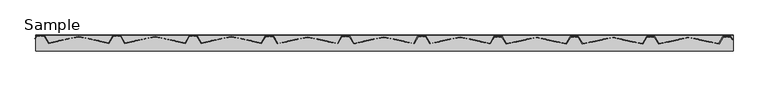
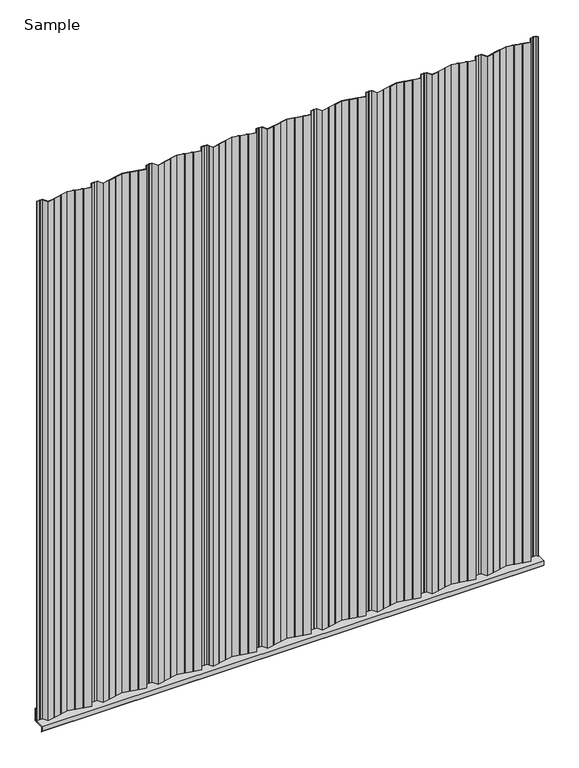
"""IFC4 building model written with IfcOpenShell, lengths in millimetres: proxy geometry, Sample."""

import ifcopenshell
import ifcopenshell.guid

model = None  # the IFC model being written
_history = None  # IfcOwnerHistory: only IFC2X3 demands one
_inside = {}  # id of a spatial element -> (the spatial element, [elements in it])
_under = {}  # id of a project, library or spatial element -> (it, [spatial elements below it])
_declared = {}  # id of a project -> (the project, [libraries it declares])
_typed = {}  # id of a type object -> (the type object, [elements of that type])
_made_of = {}  # id of a material, layer set ... -> (it, [elements and type objects made of it])


def new_model(schema):
    """Start an empty IFC model of exactly this schema.

    Asked for "IFC4X3", IfcOpenShell would pick the latest addendum, in which some entities
    have other attributes; the version numbers below select the first issue.
    IFC2X3 requires an IfcOwnerHistory on every rooted entity: one is made here for all.
    """
    global model, _history
    if schema == "IFC4X3":
        model = ifcopenshell.file(schema_version=(4, 3, 0, 0))
    else:
        model = ifcopenshell.file(schema=schema)
    _inside.clear()
    _under.clear()
    _declared.clear()
    _typed.clear()
    _made_of.clear()
    _history = None
    if model.schema == "IFC2X3":
        org = make("IfcOrganization", Name="unknown")
        user = make(
            "IfcPersonAndOrganization",
            ThePerson=make("IfcPerson", FamilyName="unknown"),
            TheOrganization=org,
        )
        app = make(
            "IfcApplication",
            ApplicationDeveloper=org,
            Version="unknown",
            ApplicationFullName="unknown",
            ApplicationIdentifier="unknown",
        )
        _history = make(
            "IfcOwnerHistory",
            OwningUser=user,
            OwningApplication=app,
            ChangeAction="ADDED",
            CreationDate=0,
        )
    return model


def make(cls, **values):
    """One entity of the class cls with the attributes given. An attribute that is None is left unset."""
    return model.create_entity(
        cls, **{name: value for name, value in values.items() if value is not None}
    )


def rooted(cls, **values):
    """An entity with a GlobalId (a new one), such as an element, a storey or a relation."""
    return make(cls, GlobalId=ifcopenshell.guid.new(), OwnerHistory=_history, **values)


def si_unit(unit_type, name, prefix=None):
    """IfcSIUnit, for example si_unit("LENGTHUNIT", "METRE", prefix="MILLI")."""
    return make("IfcSIUnit", UnitType=unit_type, Prefix=prefix, Name=name)


def assignment(units):
    """IfcUnitAssignment: the units of a project."""
    return None if units is None else make("IfcUnitAssignment", Units=units)


def point(xyz):
    """IfcCartesianPoint."""
    return None if xyz is None else make("IfcCartesianPoint", Coordinates=xyz)


def direction(xyz):
    """IfcDirection."""
    return None if xyz is None else make("IfcDirection", DirectionRatios=xyz)


def frame(location, z_axis=None, x_axis=None):
    """IfcAxis2Placement3D, a coordinate frame: its origin and axes. An axis left out is left unset."""
    return make(
        "IfcAxis2Placement3D",
        Location=point(location),
        Axis=direction(z_axis),
        RefDirection=direction(x_axis),
    )


def origin():
    """The frame at (0, 0, 0) with its axes left unset."""
    return frame((0.0, 0.0, 0.0))


def origin_with_axes():
    """The frame at (0, 0, 0) with the z axis (0, 0, 1) and the x axis (1, 0, 0) written out."""
    return frame((0.0, 0.0, 0.0), z_axis=(0.0, 0.0, 1.0), x_axis=(1.0, 0.0, 0.0))


def place(relative_to, where):
    """IfcLocalPlacement: puts the frame where relative to a parent placement (None: the world)."""
    return make(
        "IfcLocalPlacement", PlacementRelTo=relative_to, RelativePlacement=where
    )


def context(
    kind, dimensions, precision=None, world=None, true_north=None, identifier=None
):
    """IfcGeometricRepresentationContext, for example the 3D "Model" context."""
    return make(
        "IfcGeometricRepresentationContext",
        ContextIdentifier=identifier,
        ContextType=kind,
        CoordinateSpaceDimension=dimensions,
        Precision=precision,
        WorldCoordinateSystem=world,
        TrueNorth=true_north,
    )


def project(units=None, contexts=None):
    """IfcProject with its units and contexts."""
    return rooted(
        "IfcProject",
        Name="project",
        RepresentationContexts=contexts,
        UnitsInContext=assignment(units),
    )


def spatial(cls, under=None, at=None, **own):
    """A site, building, storey or space (cls), placed at a placement, below another one or the project."""
    s = rooted(cls, ObjectPlacement=at, **own)
    if under is not None:
        _under.setdefault(under.id(), (under, []))[1].append(s)
    return s


def polyline(points):
    """IfcPolyline through the points."""
    return make("IfcPolyline", Points=[point(p) for p in points])


def outline(outer, holes=None, kind="AREA"):
    """IfcArbitraryClosedProfileDef: a profile drawn as a closed curve; with holes, ...WithVoids."""
    if holes is None:
        return make("IfcArbitraryClosedProfileDef", ProfileType=kind, OuterCurve=outer)
    return make(
        "IfcArbitraryProfileDefWithVoids",
        ProfileType=kind,
        OuterCurve=outer,
        InnerCurves=holes,
    )


def extrude(swept, where, along, depth):
    """IfcExtrudedAreaSolid: the profile swept, set in the frame where, extruded along a direction by depth."""
    return make(
        "IfcExtrudedAreaSolid",
        SweptArea=swept,
        Position=where,
        ExtrudedDirection=direction(along),
        Depth=depth,
    )


def shape(context_of_items, identifier, shape_type, items):
    """IfcShapeRepresentation: the items that make up one representation, for example the "Body"."""
    return make(
        "IfcShapeRepresentation",
        ContextOfItems=context_of_items,
        RepresentationIdentifier=identifier,
        RepresentationType=shape_type,
        Items=items,
    )


def source(mapping_origin, context_of_items, identifier, shape_type, items):
    """IfcRepresentationMap: a shape defined once, which mapped items show again and again."""
    return make(
        "IfcRepresentationMap",
        MappingOrigin=mapping_origin,
        MappedRepresentation=shape(context_of_items, identifier, shape_type, items),
    )


def transform(
    local_origin,
    x_axis=None,
    y_axis=None,
    z_axis=None,
    scale=None,
    scale2=None,
    scale3=None,
    uniform=True,
):
    """IfcCartesianTransformationOperator3D, or its non-uniform kind. x_axis, y_axis, z_axis: its Axis1, 2, 3."""
    if uniform:
        return make(
            "IfcCartesianTransformationOperator3D",
            Axis1=direction(x_axis),
            Axis2=direction(y_axis),
            LocalOrigin=point(local_origin),
            Scale=scale,
            Axis3=direction(z_axis),
        )
    return make(
        "IfcCartesianTransformationOperator3DnonUniform",
        Axis1=direction(x_axis),
        Axis2=direction(y_axis),
        LocalOrigin=point(local_origin),
        Scale=scale,
        Axis3=direction(z_axis),
        Scale2=scale2,
        Scale3=scale3,
    )


def mapped(mapping_source, mapping_target):
    """IfcMappedItem: shows the shape of a source again, moved by a transform."""
    return make(
        "IfcMappedItem", MappingSource=mapping_source, MappingTarget=mapping_target
    )


def made_of(thing, what):
    """Note that an element or type object is made of a material, layer set ...; save() writes the relation."""
    if what is not None:
        _made_of.setdefault(what.id(), (what, []))[1].append(thing)
    return thing


def element(
    cls,
    number,
    at=None,
    inside=None,
    cuts=None,
    type_object=None,
    material=None,
    context=None,
    identifier="Body",
    shape_type=None,
    held_by="IfcProductDefinitionShape",
    body=None,
    shapes=None,
    **own,
):
    """One element of the class cls, such as IfcWall. Its Tag is "e" and its number.

    at: its placement. inside: the storey or other place that contains it. cuts: it is an
    opening in that element (IfcRelVoidsElement). A single representation is given by context,
    identifier, shape_type and body (its items); several are given by shapes. held_by: the class
    of the entity that holds the representations. save() writes the other relations.
    """
    e = rooted(cls, Tag="e%d" % number, ObjectPlacement=at, **own)
    if body is not None:
        shapes = [shape(context, identifier, shape_type, body)]
    if shapes is not None:
        e.Representation = make(held_by, Representations=shapes)
    if inside is not None:
        _inside.setdefault(inside.id(), (inside, []))[1].append(e)
    if cuts is not None:
        rooted(
            "IfcRelVoidsElement", RelatingBuildingElement=cuts, RelatedOpeningElement=e
        )
    if type_object is not None:
        _typed.setdefault(type_object.id(), (type_object, []))[1].append(e)
    return made_of(e, material)


def aggregate(whole, parts):
    """IfcRelAggregates: a whole, such as a stair, and the parts it consists of."""
    return rooted("IfcRelAggregates", RelatingObject=whole, RelatedObjects=parts)


def save(model, path):
    """Write the relations noted so far, then the file.

    IfcRelAggregates (storeys below a building ...), IfcRelContainedInSpatialStructure (elements
    in a storey), IfcRelDefinesByType, IfcRelAssociatesMaterial and IfcRelDeclares: one each for
    every whole, place, type object, material and project.
    """
    for whole, parts in _under.values():
        aggregate(whole, parts)
    for where, things in _inside.values():
        rooted(
            "IfcRelContainedInSpatialStructure",
            RelatedElements=things,
            RelatingStructure=where,
        )
    for kind, things in _typed.values():
        rooted("IfcRelDefinesByType", RelatedObjects=things, RelatingType=kind)
    for what, things in _made_of.values():
        rooted("IfcRelAssociatesMaterial", RelatedObjects=things, RelatingMaterial=what)
    for by, libraries in _declared.values():
        rooted("IfcRelDeclares", RelatingContext=by, RelatedDefinitions=libraries)
    model.write(path)


def sample_4225adc6(model_context):
    return source(origin(), model_context, "Body", "SweptSolid", [
        extrude(outline(polyline([(113001.1879304, -72521.0864185), (112988.4879304, -72521.0864185), (112972.0726976, -72549.5184358), (112934.6727019, -72542.248613), (112930.2887975, -72540.387756), (112892.8888019, -72533.1179333), (112888.5048975, -72531.2570763), (112851.3279304, -72524.030606), (112814.1509634, -72531.2570763), (112809.767059, -72533.1179333), (112772.3670633, -72540.387756), (112767.983159, -72542.248613), (112730.5831633, -72549.5184358), (112714.1679304, -72521.0864185), (112701.4679304, -72521.0864185), (112698.9279304, -72519.3078913), (112696.3879304, -72521.0864185), (112683.6879304, -72521.0864185), (112667.2726976, -72549.5184358), (112629.8727019, -72542.248613), (112625.4887976, -72540.387756), (112588.0888019, -72533.1179333), (112583.7048975, -72531.2570763), (112546.5279304, -72524.030606), (112509.3509634, -72531.2570763), (112504.967059, -72533.1179333), (112467.5670633, -72540.387756), (112463.183159, -72542.248613), (112425.7831633, -72549.5184358), (112409.3679304, -72521.0864185), (112396.6679304, -72521.0864185), (112394.1279304, -72519.3078913), (112391.5879304, -72521.0864185), (112378.8879304, -72521.0864185), (112372.5379304, -72532.0849411), (112371.3757998, -72530.9228105), (112377.9713869, -72519.4989185), (112391.0873936, -72519.4989185), (112394.1279304, -72517.3699117), (112397.1684673, -72519.4989185), (112410.284474, -72519.4989185), (112426.5917415, -72547.7439343), (112462.7169708, -72540.7219011), (112467.1008751, -72538.8610441), (112504.5008708, -72531.5912214), (112508.8847752, -72529.7303644), (112546.5279304, -72522.4132762), (112584.1710857, -72529.7303644), (112588.5549901, -72531.5912214), (112625.9549858, -72538.8610441), (112630.3388901, -72540.7219011), (112666.4641194, -72547.7439343), (112682.7713869, -72519.4989185), (112695.8873936, -72519.4989185), (112698.9279304, -72517.3699117), (112701.9684673, -72519.4989185), (112715.084474, -72519.4989185), (112731.3917415, -72547.7439343), (112767.5169708, -72540.7219011), (112771.9008751, -72538.8610441), (112809.3008708, -72531.5912214), (112813.6847752, -72529.7303644), (112851.3279304, -72522.4132762), (112888.9710857, -72529.7303644), (112893.3549901, -72531.5912214), (112930.7549858, -72538.8610441), (112935.1388901, -72540.7219011), (112971.2641194, -72547.7439343), (112987.5713869, -72519.4989185), (113000.6873936, -72519.4989185), (113003.7279304, -72517.3699117), (113006.7684673, -72519.4989185), (113019.884474, -72519.4989185), (113036.1917415, -72547.7439343), (113072.3169708, -72540.7219011), (113076.7008751, -72538.8610441), (113114.1008708, -72531.5912214), (113118.4847752, -72529.7303644), (113156.1279304, -72522.4132762), (113193.7710857, -72529.7303644), (113198.1549901, -72531.5912214), (113235.5549858, -72538.8610441), (113239.9388901, -72540.7219011), (113276.0641194, -72547.7439343), (113292.3713869, -72519.4989185), (113305.4873936, -72519.4989185), (113308.5279304, -72517.3699117), (113311.5684673, -72519.4989185), (113324.684474, -72519.4989185), (113331.2800611, -72530.9228105), (113330.1179304, -72532.0849411), (113323.7679304, -72521.0864185), (113311.0679304, -72521.0864185), (113308.5279304, -72519.3078913), (113305.9879304, -72521.0864185), (113293.2879304, -72521.0864185), (113276.8726976, -72549.5184358), (113239.4727019, -72542.248613), (113235.0887975, -72540.387756), (113197.6888019, -72533.1179333), (113193.3048975, -72531.2570763), (113156.1279304, -72524.030606), (113118.9509634, -72531.2570763), (113114.567059, -72533.1179333), (113077.1670633, -72540.387756), (113072.783159, -72542.248613), (113035.3831633, -72549.5184358), (113018.9679304, -72521.0864185), (113006.2679304, -72521.0864185), (113003.7279304, -72519.3078913), (113001.1879304, -72521.0864185)])), origin_with_axes(), (0.0, 0.0, 1.0), 3048.0),
        extrude(outline(polyline([(112087.0827244, -72519.6756587), (112074.3827244, -72519.6756587), (112057.9674916, -72548.107676), (112020.5674959, -72540.8378532), (112016.1835915, -72538.9769962), (111978.7835959, -72531.7071735), (111974.3996915, -72529.8463165), (111937.2227244, -72522.6198462), (111900.0457574, -72529.8463165), (111895.661853, -72531.7071735), (111858.2618573, -72538.9769962), (111853.877953, -72540.8378532), (111816.4779573, -72548.107676), (111800.0627244, -72519.6756587), (111787.3627244, -72519.6756587), (111784.8227244, -72517.8971315), (111782.2827244, -72519.6756587), (111769.5827244, -72519.6756587), (111753.1674916, -72548.107676), (111715.7674959, -72540.8378532), (111711.3835915, -72538.9769962), (111673.9835959, -72531.7071735), (111669.5996915, -72529.8463165), (111632.4227244, -72522.6198462), (111595.2457574, -72529.8463165), (111590.861853, -72531.7071735), (111553.4618573, -72538.9769962), (111549.077953, -72540.8378532), (111511.6779573, -72548.107676), (111495.2627244, -72519.6756587), (111482.5627244, -72519.6756587), (111480.0227244, -72517.8971315), (111477.4827244, -72519.6756587), (111464.7827244, -72519.6756587), (111458.4327244, -72530.6741813), (111457.2705938, -72529.5120506), (111463.8661809, -72518.0881587), (111476.9821876, -72518.0881587), (111480.0227244, -72515.9591519), (111483.0632613, -72518.0881587), (111496.179268, -72518.0881587), (111512.4865355, -72546.3331745), (111548.6117648, -72539.3111413), (111552.9956691, -72537.4502843), (111590.3956648, -72530.1804616), (111594.7795692, -72528.3196046), (111632.4227244, -72521.0025164), (111670.0658797, -72528.3196046), (111674.4497841, -72530.1804616), (111711.8497797, -72537.4502843), (111716.2336841, -72539.3111413), (111752.3589134, -72546.3331745), (111768.6661809, -72518.0881587), (111781.7821876, -72518.0881587), (111784.8227244, -72515.9591519), (111787.8632613, -72518.0881587), (111800.979268, -72518.0881587), (111817.2865355, -72546.3331745), (111853.4117648, -72539.3111413), (111857.7956691, -72537.4502843), (111895.1956648, -72530.1804616), (111899.5795692, -72528.3196046), (111937.2227244, -72521.0025164), (111974.8658797, -72528.3196046), (111979.2497841, -72530.1804616), (112016.6497797, -72537.4502843), (112021.0336841, -72539.3111413), (112057.1589134, -72546.3331745), (112073.4661809, -72518.0881587), (112086.5821876, -72518.0881587), (112089.6227244, -72515.9591519), (112092.6632613, -72518.0881587), (112105.779268, -72518.0881587), (112122.0865355, -72546.3331745), (112158.2117648, -72539.3111413), (112162.5956691, -72537.4502843), (112199.9956648, -72530.1804616), (112204.3795692, -72528.3196046), (112242.0227244, -72521.0025164), (112279.6658797, -72528.3196046), (112284.0497841, -72530.1804616), (112321.4497797, -72537.4502843), (112325.8336841, -72539.3111413), (112361.9589134, -72546.3331745), (112378.2661809, -72518.0881587), (112391.3821876, -72518.0881587), (112394.4227244, -72515.9591519), (112397.4632613, -72518.0881587), (112410.579268, -72518.0881587), (112417.1748551, -72529.5120506), (112416.0127244, -72530.6741813), (112409.6627244, -72519.6756587), (112396.9627244, -72519.6756587), (112394.4227244, -72517.8971315), (112391.8827244, -72519.6756587), (112379.1827244, -72519.6756587), (112362.7674916, -72548.107676), (112325.3674959, -72540.8378532), (112320.9835915, -72538.9769962), (112283.5835959, -72531.7071735), (112279.1996915, -72529.8463165), (112242.0227244, -72522.6198462), (112204.8457574, -72529.8463165), (112200.461853, -72531.7071735), (112163.0618573, -72538.9769962), (112158.677953, -72540.8378532), (112121.2779573, -72548.107676), (112104.8627244, -72519.6756587), (112092.1627244, -72519.6756587), (112089.6227244, -72517.8971315), (112087.0827244, -72519.6756587)])), origin_with_axes(), (0.0, 0.0, 1.0), 3048.0),
        extrude(outline(polyline([(-72513.5426082, 69.85), (-72511.9551082, 69.85), (-72511.9551082, -1.5875), (-72575.4551082, -1.5875), (-72575.4551082, -24.742436), (-72566.3950762, -33.802468), (-72567.5176082, -34.925), (-72577.0426082, -25.4), (-72577.0426082, 0.0), (-72513.5426082, 0.0), (-72513.5426082, 69.85)])), frame((110545.5159478, 0.0, 0.0), z_axis=(1.0, 0.0, 0.0), x_axis=(0.0, 1.0, 0.0)), (0.0, 0.0, 1.0), 2787.65),
        extrude(outline(polyline([(111172.6827244, -72518.0881587), (111159.9827244, -72518.0881587), (111143.5674916, -72546.520176), (111106.1674959, -72539.2503532), (111101.7835915, -72537.3894962), (111064.3835959, -72530.1196735), (111059.9996915, -72528.2588165), (111022.8227244, -72521.0323462), (110985.6457574, -72528.2588165), (110981.261853, -72530.1196735), (110943.8618573, -72537.3894962), (110939.477953, -72539.2503532), (110902.0779573, -72546.520176), (110885.6627244, -72518.0881587), (110872.9627244, -72518.0881587), (110870.4227244, -72516.3096315), (110867.8827244, -72518.0881587), (110855.1827244, -72518.0881587), (110838.7674916, -72546.520176), (110801.3674959, -72539.2503532), (110796.9835915, -72537.3894962), (110759.5835959, -72530.1196735), (110755.1996915, -72528.2588165), (110718.0227244, -72521.0323462), (110680.8457574, -72528.2588165), (110676.461853, -72530.1196735), (110639.0618573, -72537.3894962), (110634.677953, -72539.2503532), (110597.2779573, -72546.520176), (110580.8627244, -72518.0881587), (110568.1627244, -72518.0881587), (110565.6227244, -72516.3096315), (110563.0827244, -72518.0881587), (110550.3827244, -72518.0881587), (110544.0327244, -72529.0866813), (110542.8705938, -72527.9245506), (110549.4661809, -72516.5006587), (110562.5821876, -72516.5006587), (110565.6227244, -72514.3716519), (110568.6632613, -72516.5006587), (110581.779268, -72516.5006587), (110598.0865355, -72544.7456745), (110634.2117648, -72537.7236413), (110638.5956691, -72535.8627843), (110675.9956648, -72528.5929616), (110680.3795692, -72526.7321046), (110718.0227244, -72519.4150164), (110755.6658797, -72526.7321046), (110760.0497841, -72528.5929616), (110797.4497797, -72535.8627843), (110801.8336841, -72537.7236413), (110837.9589134, -72544.7456745), (110854.2661809, -72516.5006587), (110867.3821876, -72516.5006587), (110870.4227244, -72514.3716519), (110873.4632613, -72516.5006587), (110886.579268, -72516.5006587), (110902.8865355, -72544.7456745), (110939.0117648, -72537.7236413), (110943.3956691, -72535.8627843), (110980.7956648, -72528.5929616), (110985.1795692, -72526.7321046), (111022.8227244, -72519.4150164), (111060.4658797, -72526.7321046), (111064.8497841, -72528.5929616), (111102.2497797, -72535.8627843), (111106.6336841, -72537.7236413), (111142.7589134, -72544.7456745), (111159.0661809, -72516.5006587), (111172.1821876, -72516.5006587), (111175.2227244, -72514.3716519), (111178.2632613, -72516.5006587), (111191.379268, -72516.5006587), (111207.6865355, -72544.7456745), (111243.8117648, -72537.7236413), (111248.1956691, -72535.8627843), (111285.5956648, -72528.5929616), (111289.9795692, -72526.7321046), (111327.6227244, -72519.4150164), (111365.2658797, -72526.7321046), (111369.6497841, -72528.5929616), (111407.0497797, -72535.8627843), (111411.4336841, -72537.7236413), (111447.5589134, -72544.7456745), (111463.8661809, -72516.5006587), (111476.9821876, -72516.5006587), (111480.0227244, -72514.3716519), (111483.0632613, -72516.5006587), (111496.179268, -72516.5006587), (111502.7748551, -72527.9245506), (111501.6127244, -72529.0866813), (111495.2627244, -72518.0881587), (111482.5627244, -72518.0881587), (111480.0227244, -72516.3096315), (111477.4827244, -72518.0881587), (111464.7827244, -72518.0881587), (111448.3674916, -72546.520176), (111410.9674959, -72539.2503532), (111406.5835915, -72537.3894962), (111369.1835959, -72530.1196735), (111364.7996915, -72528.2588165), (111327.6227244, -72521.0323462), (111290.4457574, -72528.2588165), (111286.061853, -72530.1196735), (111248.6618573, -72537.3894962), (111244.277953, -72539.2503532), (111206.8779573, -72546.520176), (111190.4627244, -72518.0881587), (111177.7627244, -72518.0881587), (111175.2227244, -72516.3096315), (111172.6827244, -72518.0881587)])), origin_with_axes(), (0.0, 0.0, 1.0), 3048.0),
    ])


if __name__ == "__main__":
    model = new_model("IFC4")
    model_context = context("Model", 3, world=origin())
    ifc_project = project(units=[si_unit("LENGTHUNIT", "METRE", prefix="MILLI")], contexts=[model_context])
    site = spatial("IfcSite", under=ifc_project)
    building = spatial("IfcBuilding", under=site)
    placement = place(None, origin())
    sample_shape = sample_4225adc6(model_context)
    element("IfcBuildingElementProxy", 1, Name="Sample", ObjectType="Sample", at=placement, inside=building, context=model_context, shape_type="MappedRepresentation", body=[
        mapped(sample_shape, transform((0.0, 0.0, 0.0), x_axis=(1.0, 0.0, 0.0), y_axis=(0.0, 1.0, 0.0), z_axis=(0.0, 0.0, 1.0))),
    ])
    save(model, "model.ifc")
